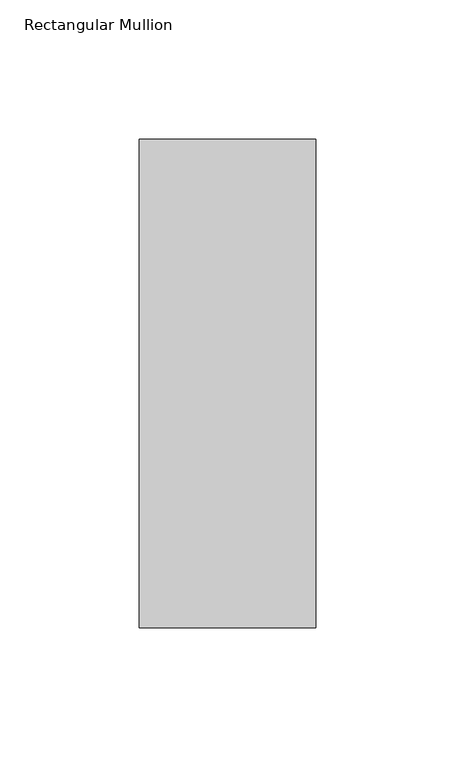
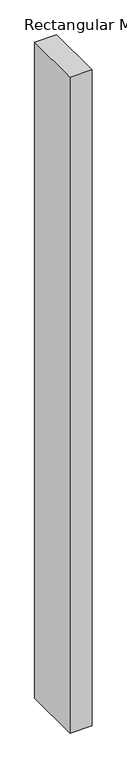
"""IFC4 building model written with IfcOpenShell, lengths in millimetres: member geometry, Rectangular Mullion."""

from ifc_helpers import new_model, si_unit, frame, origin, place, context, project, spatial, polyline, outline, extrude, source, transform, mapped, element, save


def rectangular_mullion_ae88c9d0(model_context):
    return source(origin(), model_context, "Body", "SweptSolid", [
        extrude(outline(polyline([(-31.7499996, 222.5381312), (31.75, 222.5381312), (31.75, 46.7447302), (-31.7499996, 46.7447302), (-31.7499996, 222.5381312)])), frame((0.0, 0.0, -1993.9000004), z_axis=(0.0, 0.0, 1.0), x_axis=(1.0, 0.0, 0.0)), (0.0, 0.0, 1.0), 1993.9000004),
    ])


if __name__ == "__main__":
    model = new_model("IFC4")
    model_context = context("Model", 3, world=origin())
    ifc_project = project(units=[si_unit("LENGTHUNIT", "METRE", prefix="MILLI")], contexts=[model_context])
    site = spatial("IfcSite", under=ifc_project)
    building = spatial("IfcBuilding", under=site)
    placement = place(None, origin())
    rectangular_mullion_shape = rectangular_mullion_ae88c9d0(model_context)
    element("IfcMember", 1, ObjectType="Rectangular Mullion", at=placement, inside=building, context=model_context, shape_type="MappedRepresentation", body=[
        mapped(rectangular_mullion_shape, transform((0.0, 0.0, 0.0), x_axis=(1.0, 0.0, 0.0), y_axis=(0.0, 1.0, 0.0), z_axis=(0.0, 0.0, 1.0))),
    ])
    save(model, "model.ifc")
